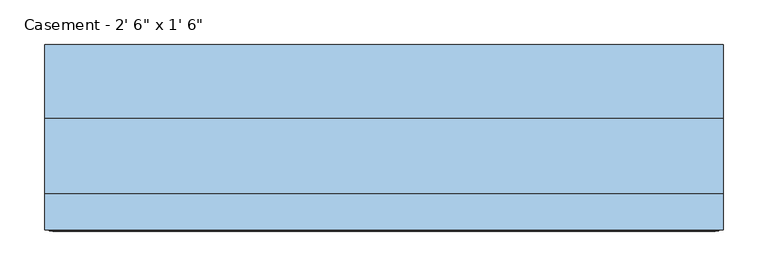
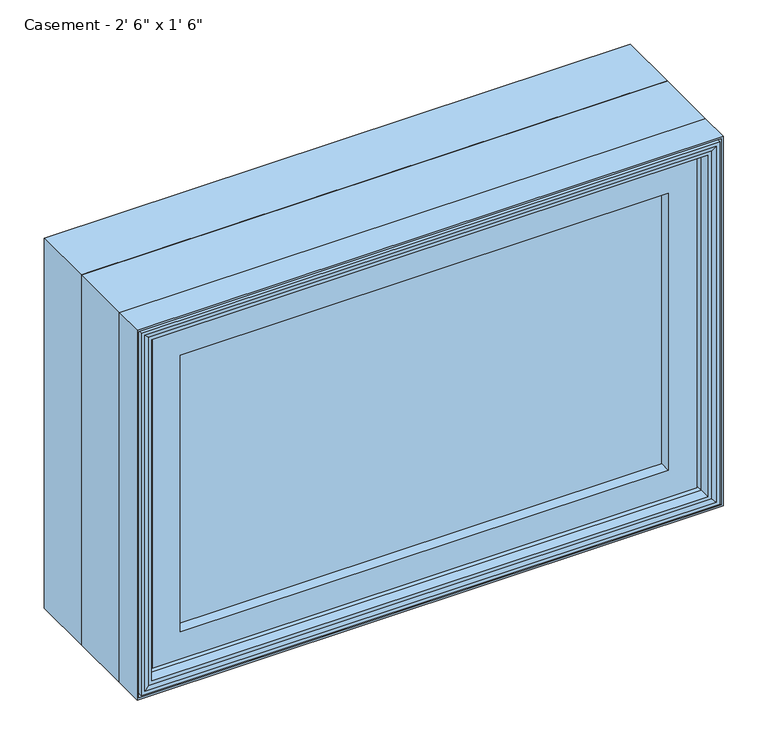
"""IFC4 building model written with IfcOpenShell, lengths in millimetres: window geometry."""

from ifc_helpers import new_model, si_unit, frame, origin, place, context, project, spatial, polyline, outline, extrude, faceted_brep, source, transform, mapped, element, save


def window_b75b864c(model_context):
    return source(origin(), model_context, "Body", "SolidModel", [
        extrude(outline(polyline([(329.009375, -74.0770729), (329.009375, -91.5395729), (-328.9849783, -91.5395729), (-328.9849783, -74.0770729), (329.009375, -74.0770729)])), frame((0.0, 0.0, 971.5119), z_axis=(0.0, 0.0, 1.0), x_axis=(1.0, 0.0, 0.0)), (0.0, 0.0, 1.0), 393.7762),
        extrude(outline(polyline([(1422.4, -381.0), (914.4, -381.0), (914.4, 381.0), (1422.4, 381.0), (1422.4, -381.0)]), holes=[polyline([(930.275, -365.125), (1406.525, -365.125), (1406.525, 365.125), (930.275, 365.125), (930.275, -365.125)])]), frame((0.0, 6.1515625, 0.0), z_axis=(0.0, 1.0, 0.0), x_axis=(0.0, 0.0, 1.0)), (0.0, 0.0, 1.0), 82.7484375),
        faceted_brep([(-328.9849783, -74.0770729, 966.4150217), (-328.9849783, -74.0770729, 1370.3849783), (-328.9849783, -91.5395729, 1370.3849783), (-328.9849783, -91.5395729, 966.4150217), (-317.3015625, -72.8793953, 978.0984375), (-317.3015625, -72.8793953, 1358.7015625), (-317.3015625, -74.0770729, 1358.7015625), (-317.3015625, -74.0770729, 978.0984375), (-320.0498111, -59.9499024, 975.3501889), (-320.0498111, -59.9499024, 1361.4498111), (-348.0341084, -91.5395729, 947.3658916), (-348.0341084, -91.5395729, 1389.4341084), (-348.0341084, -59.9499024, 1389.4341084), (-348.0341084, -59.9499024, 947.3658916), (328.9849783, -74.0770729, 1370.3849783), (328.9849783, -91.5395729, 1370.3849783), (317.3015625, -72.8793953, 1358.7015625), (317.3015625, -74.0770729, 1358.7015625), (320.0498111, -59.9499024, 1361.4498111), (348.0341084, -91.5395729, 1389.4341084), (348.0341084, -59.9499024, 1389.4341084), (328.9849783, -74.0770729, 966.4150217), (328.9849783, -91.5395729, 966.4150217), (317.3015625, -72.8793953, 978.0984375), (317.3015625, -74.0770729, 978.0984375), (320.0498111, -59.9499024, 975.3501889), (348.0341084, -91.5395729, 947.3658916), (348.0341084, -59.9499024, 947.3658916)], [[[0, 1, 2, 3]], [[4, 5, 6, 7]], [[8, 9, 5, 4]], [[10, 11, 12, 13]], [[1, 14, 15, 2]], [[5, 16, 17, 6]], [[9, 18, 16, 5]], [[11, 19, 20, 12]], [[14, 21, 22, 15]], [[16, 23, 24, 17]], [[18, 25, 23, 16]], [[19, 26, 27, 20]], [[11, 10, 26, 19], [3, 2, 15, 22]], [[21, 0, 3, 22]], [[1, 0, 21, 14], [7, 6, 17, 24]], [[23, 4, 7, 24]], [[25, 8, 4, 23]], [[13, 12, 20, 27], [9, 8, 25, 18]], [[26, 10, 13, 27]]]),
        extrude(outline(polyline([(1395.5033048, -354.1033048), (941.2966952, -354.1033048), (941.2966952, 354.1033048), (1395.5033048, 354.1033048), (1395.5033048, -354.1033048)]), holes=[polyline([(978.0984375, -317.3015625), (1358.7015625, -317.3015625), (1358.7015625, 317.3015625), (978.0984375, 317.3015625), (978.0984375, -317.3015625)])]), frame((0.0, -106.9883505, 0.0), z_axis=(0.0, 1.0, 0.0), x_axis=(0.0, 0.0, 1.0)), (0.0, 0.0, 1.0), 15.4487776),
        faceted_brep([(-366.4220166, -119.2736375, 928.9779834), (-366.4220166, -119.2736375, 1407.8220166), (-371.755345, -120.8484375, 1413.155345), (-371.755345, -120.8484375, 923.644655), (-361.5526868, -104.4927591, 933.8473132), (-361.5526868, -104.4927591, 1402.9526868), (-361.5526868, -119.2736375, 1402.9526868), (-361.5526868, -119.2736375, 933.8473132), (-360.3244, -90.3195591, 935.0756), (-360.3244, -90.3195591, 1401.7244), (-360.3244, -79.171779, 935.0756), (-360.3244, -79.171779, 1401.7244), (-381.0, -119.6932773, 914.4), (-381.0, -119.6932773, 1422.4), (-381.0, -79.171779, 1422.4), (-381.0, -79.171779, 914.4), (-378.714, -111.1241649, 916.686), (-378.714, -111.1241649, 1420.114), (-378.714, -119.6932773, 1420.114), (-378.714, -119.6932773, 916.686), (-375.9962, -120.8484375, 919.4038), (-375.9962, -120.8484375, 1417.3962), (-375.9962, -111.1241649, 1417.3962), (-375.9962, -111.1241649, 919.4038), (366.4220166, -119.2736375, 1407.8220166), (371.755345, -120.8484375, 1413.155345), (361.5526868, -104.4927591, 1402.9526868), (361.5526868, -119.2736375, 1402.9526868), (360.3244, -90.3195591, 1401.7244), (360.3244, -79.171779, 1401.7244), (381.0, -119.6932773, 1422.4), (381.0, -79.171779, 1422.4), (378.714, -111.1241649, 1420.114), (378.714, -119.6932773, 1420.114), (375.9962, -120.8484375, 1417.3962), (375.9962, -111.1241649, 1417.3962), (366.4220166, -119.2736375, 928.9779834), (371.755345, -120.8484375, 923.644655), (361.5526868, -104.4927591, 933.8473132), (361.5526868, -119.2736375, 933.8473132), (360.3244, -90.3195591, 935.0756), (360.3244, -79.171779, 935.0756), (381.0, -119.6932773, 914.4), (381.0, -79.171779, 914.4), (378.714, -111.1241649, 916.686), (378.714, -119.6932773, 916.686), (375.9962, -120.8484375, 919.4038), (375.9962, -111.1241649, 919.4038)], [[[0, 1, 2, 3]], [[4, 5, 6, 7]], [[8, 9, 5, 4]], [[10, 11, 9, 8]], [[12, 13, 14, 15]], [[16, 17, 18, 19]], [[20, 21, 22, 23]], [[1, 24, 25, 2]], [[5, 26, 27, 6]], [[9, 28, 26, 5]], [[11, 29, 28, 9]], [[13, 30, 31, 14]], [[17, 32, 33, 18]], [[21, 34, 35, 22]], [[24, 36, 37, 25]], [[26, 38, 39, 27]], [[28, 40, 38, 26]], [[29, 41, 40, 28]], [[30, 42, 43, 31]], [[32, 44, 45, 33]], [[34, 46, 47, 35]], [[36, 0, 3, 37]], [[1, 0, 36, 24], [7, 6, 27, 39]], [[38, 4, 7, 39]], [[40, 8, 4, 38]], [[41, 10, 8, 40]], [[15, 14, 31, 43], [11, 10, 41, 29]], [[42, 12, 15, 43]], [[13, 12, 42, 30], [19, 18, 33, 45]], [[44, 16, 19, 45]], [[17, 16, 44, 32], [23, 22, 35, 47]], [[46, 20, 23, 47]], [[21, 20, 46, 34], [3, 2, 25, 37]]]),
        faceted_brep([(-381.0, -79.171779, 914.4), (-381.0, -79.171779, 1422.4), (-381.0, 6.1515625, 1422.4), (-381.0, 6.1515625, 914.4), (-361.3404, -66.7563278, 934.0596), (-361.3404, -66.7563278, 1402.7404), (-361.3404, -79.171779, 1402.7404), (-361.3404, -79.171779, 934.0596), (-354.8634, -59.7093984, 940.5366), (-354.8634, -59.7093984, 1396.2634), (-354.8634, -66.7563278, 1396.2634), (-354.8634, -66.7563278, 940.5366), (-333.375, -39.9279649, 962.025), (-333.375, -39.9279649, 1374.775), (-333.375, -59.7093984, 1374.775), (-333.375, -59.7093984, 962.025), (-337.3374, -10.9227338, 958.0626), (-337.3374, -10.9227338, 1378.7374), (-337.3374, -39.9279649, 1378.7374), (-337.3374, -39.9279649, 958.0626), (381.0, -79.171779, 1422.4), (381.0, 6.1515625, 1422.4), (361.3404, -66.7563278, 1402.7404), (361.3404, -79.171779, 1402.7404), (354.8634, -59.7093984, 1396.2634), (354.8634, -66.7563278, 1396.2634), (333.375, -39.9279649, 1374.775), (333.375, -59.7093984, 1374.775), (337.3374, -10.9227338, 1378.7374), (337.3374, -39.9279649, 1378.7374), (381.0, -79.171779, 914.4), (381.0, 6.1515625, 914.4), (361.3404, -66.7563278, 934.0596), (361.3404, -79.171779, 934.0596), (354.8634, -59.7093984, 940.5366), (354.8634, -66.7563278, 940.5366), (333.375, -39.9279649, 962.025), (333.375, -59.7093984, 962.025), (337.3374, -10.9227338, 958.0626), (337.3374, -39.9279649, 958.0626), (-358.7761112, 6.1515625, 1400.1761112), (-358.7761112, 6.1515625, 936.6238888), (358.7761112, 6.1515625, 936.6238888), (358.7761112, 6.1515625, 1400.1761112), (-358.7761112, -10.9227338, 936.6238888), (-358.7761112, -10.9227338, 1400.1761112), (358.7761112, -10.9227338, 1400.1761112), (358.7761112, -10.9227338, 936.6238888)], [[[0, 1, 2, 3]], [[4, 5, 6, 7]], [[8, 9, 10, 11]], [[12, 13, 14, 15]], [[16, 17, 18, 19]], [[1, 20, 21, 2]], [[5, 22, 23, 6]], [[9, 24, 25, 10]], [[13, 26, 27, 14]], [[17, 28, 29, 18]], [[20, 30, 31, 21]], [[22, 32, 33, 23]], [[24, 34, 35, 25]], [[26, 36, 37, 27]], [[28, 38, 39, 29]], [[3, 2, 21, 31], [40, 41, 42, 43]], [[30, 0, 3, 31]], [[1, 0, 30, 20], [7, 6, 23, 33]], [[32, 4, 7, 33]], [[5, 4, 32, 22], [11, 10, 25, 35]], [[34, 8, 11, 35]], [[9, 8, 34, 24], [15, 14, 27, 37]], [[36, 12, 15, 37]], [[19, 18, 29, 39], [13, 12, 36, 26]], [[38, 16, 19, 39]], [[44, 45, 46, 47], [17, 16, 38, 28]], [[41, 40, 45, 44]], [[40, 43, 46, 45]], [[43, 42, 47, 46]], [[42, 41, 44, 47]]]),
    ])


if __name__ == "__main__":
    model = new_model("IFC4")
    model_context = context("Model", 3, world=origin())
    ifc_project = project(units=[si_unit("LENGTHUNIT", "METRE", prefix="MILLI")], contexts=[model_context])
    site = spatial("IfcSite", under=ifc_project)
    building = spatial("IfcBuilding", under=site)
    placement = place(None, origin())
    window_shape = window_b75b864c(model_context)
    element("IfcWindow", 1, ObjectType="Casement - 2' 6\" x 1' 6\"", at=placement, inside=building, context=model_context, shape_type="MappedRepresentation", body=[
        mapped(window_shape, transform((0.0, 0.0, 0.0), x_axis=(1.0, 0.0, 0.0), y_axis=(0.0, 1.0, 0.0), z_axis=(0.0, 0.0, 1.0))),
    ])
    save(model, "model.ifc")
